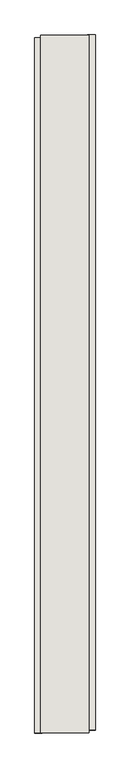
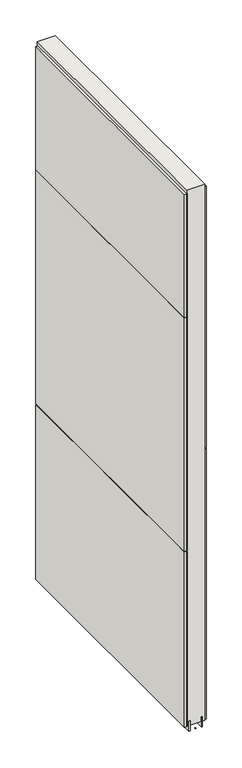
"""IFC4 building model written with IfcOpenShell, lengths in millimetres: wall geometry."""

from ifc_helpers import new_model, si_unit, frame, origin, place, context, project, spatial, polyline, outline, extrude, source, transform, mapped, element, save


def wall_a675c0e8(model_context):
    return source(origin(), model_context, "Body", "SweptSolid", [
        extrude(outline(polyline([(70461.542211, -54558.3553992), (70461.542211, -54555.8153992), (70464.082211, -54555.8153992), (70464.082211, -54558.3553992), (70461.542211, -54558.3553992)])), frame((0.0, 0.0, 4419.6), z_axis=(0.0, 0.0, 1.0), x_axis=(1.0, 0.0, 0.0)), (0.0, 0.0, 1.0), 2.54),
        extrude(outline(polyline([(70513.612211, -53389.4885726), (70513.612211, -54553.8885806), (70500.912211, -54553.8885806), (70500.912211, -53389.4885726), (70513.612211, -53389.4885726)])), frame((0.0, 0.0, 5742.4000722), z_axis=(0.0, 0.0, 1.0), x_axis=(1.0, 0.0, 0.0)), (0.0, 0.0, 1.0), 1247.649905),
        extrude(outline(polyline([(70513.612211, -53389.4885726), (70513.612211, -54553.8885806), (70500.912211, -54553.8885806), (70500.912211, -53389.4885726), (70513.612211, -53389.4885726)])), frame((0.0, 0.0, 4445.0), z_axis=(0.0, 0.0, 1.0), x_axis=(1.0, 0.0, 0.0)), (0.0, 0.0, 1.0), 1293.400004),
        extrude(outline(polyline([(70412.012211, -54558.824715), (70412.012211, -53394.424707), (70424.712211, -53394.424707), (70424.712211, -54558.824715), (70412.012211, -54558.824715)])), frame((0.0, 0.0, 6402.8000722), z_axis=(0.0, 0.0, 1.0), x_axis=(1.0, 0.0, 0.0)), (0.0, 0.0, 1.0), 587.2498034),
        extrude(outline(polyline([(70412.012211, -54558.824715), (70412.012211, -53394.424707), (70424.712211, -53394.424707), (70424.712211, -54558.824715), (70412.012211, -54558.824715)])), frame((0.0, 0.0, 5285.2000722), z_axis=(0.0, 0.0, 1.0), x_axis=(1.0, 0.0, 0.0)), (0.0, 0.0, 1.0), 1113.5999572),
        extrude(outline(polyline([(70412.012211, -54558.824715), (70412.012211, -53394.424707), (70424.712211, -53394.424707), (70424.712211, -54558.824715), (70412.012211, -54558.824715)])), frame((0.0, 0.0, 4445.0), z_axis=(0.0, 0.0, 1.0), x_axis=(1.0, 0.0, 0.0)), (0.0, 0.0, 1.0), 836.200004),
        extrude(outline(polyline([(70487.8959556, -54558.3628414), (70487.8959556, -53389.9628414), (70492.974711, -53389.9628414), (70492.974711, -54558.3628414), (70487.8959556, -54558.3628414)])), frame((0.0, 0.0, 4418.6602), z_axis=(0.0, 0.0, 1.0), x_axis=(1.0, 0.0, 0.0)), (0.0, 0.0, 1.0), 47.625),
        extrude(outline(polyline([(70487.8959556, -54558.3628414), (70487.8959556, -53389.9628414), (70492.974711, -53389.9628414), (70492.974711, -54558.3628414), (70487.8959556, -54558.3628414)])), frame((0.0, 0.0, 4418.6602), z_axis=(0.0, 0.0, 1.0), x_axis=(1.0, 0.0, 0.0)), (0.0, 0.0, 1.0), 47.625),
        extrude(outline(polyline([(70437.7284664, -53389.9628414), (70437.7284664, -54558.3628414), (70432.649711, -54558.3628414), (70432.649711, -53389.9628414), (70437.7284664, -53389.9628414)])), frame((0.0, 0.0, 4418.6602), z_axis=(0.0, 0.0, 1.0), x_axis=(1.0, 0.0, 0.0)), (0.0, 0.0, 1.0), 47.625),
        extrude(outline(polyline([(70437.7284664, -53389.9628414), (70437.7284664, -54558.3628414), (70432.649711, -54558.3628414), (70432.649711, -53389.9628414), (70437.7284664, -53389.9628414)])), frame((0.0, 0.0, 4418.6602), z_axis=(0.0, 0.0, 1.0), x_axis=(1.0, 0.0, 0.0)), (0.0, 0.0, 1.0), 47.625),
        extrude(outline(polyline([(70503.4670954, -54558.3628414), (70422.1573266, -54558.3628414), (70422.1573266, -53389.9628414), (70503.4670954, -53389.9628414), (70503.4670954, -54558.3628414)])), frame((0.0, 0.0, 4445.0), z_axis=(0.0, 0.0, 1.0), x_axis=(1.0, 0.0, 0.0)), (0.0, 0.0, 1.0), 2562.4536762),
    ])


if __name__ == "__main__":
    model = new_model("IFC4")
    model_context = context("Model", 3, world=origin())
    ifc_project = project(units=[si_unit("LENGTHUNIT", "METRE", prefix="MILLI")], contexts=[model_context])
    site = spatial("IfcSite", under=ifc_project)
    building = spatial("IfcBuilding", under=site)
    placement = place(None, origin())
    wall_shape = wall_a675c0e8(model_context)
    element("IfcWall", 1, at=placement, inside=building, context=model_context, shape_type="MappedRepresentation", body=[
        mapped(wall_shape, transform((0.0, 0.0, 0.0), x_axis=(1.0, 0.0, 0.0), y_axis=(0.0, 1.0, 0.0), z_axis=(0.0, 0.0, 1.0))),
    ])
    save(model, "model.ifc")
